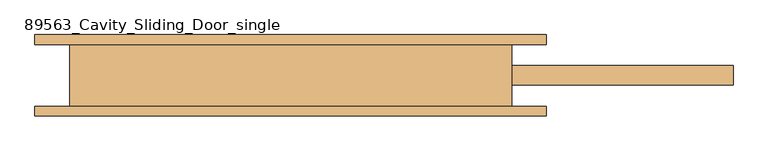
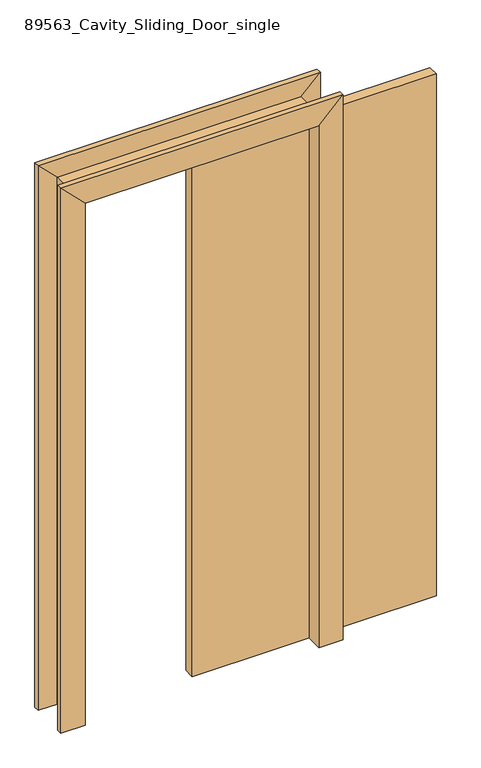
"""IFC4 building model written with IfcOpenShell, lengths in millimetres: door geometry, 89563_Cavity_Sliding_Door_single."""

from ifc_helpers import new_model, si_unit, origin, origin_with_axes, place, context, project, spatial, polyline, outline, extrude, faceted_brep, source, transform, mapped, element, save


def door_89563_cavity_sliding_door_single_7034f6d9(model_context):
    return source(origin(), model_context, "Body", "SolidModel", [
        extrude(outline(polyline([(908.0, -20.0), (0.0, -20.0), (0.0, 20.0), (908.0, 20.0), (908.0, -20.0)])), origin_with_axes(), (0.0, 0.0, 1.0), 2050.0),
        faceted_brep([(-435.0, 83.5, 0.0), (-435.0, -83.5, 0.0), (-525.0, -83.5, 0.0), (-525.0, -63.5, 0.0), (-454.0, -63.5, 0.0), (-454.0, 63.5, 0.0), (-525.0, 63.5, 0.0), (-525.0, 83.5, 0.0), (-435.0, 83.5, 2050.0), (-435.0, -83.5, 2050.0), (-525.0, -83.5, 2140.0), (-525.0, -63.5, 2140.0), (-454.0, -63.5, 2069.0), (-454.0, 63.5, 2069.0), (-525.0, 63.5, 2140.0), (-525.0, 83.5, 2140.0), (435.0, 83.5, 0.0), (525.0, 83.5, 0.0), (525.0, 63.5, 0.0), (454.0, 63.5, 0.0), (454.0, 20.0, 0.0), (435.0, 20.0, 0.0), (454.0, -63.5, 0.0), (525.0, -63.5, 0.0), (525.0, -83.5, 0.0), (435.0, -83.5, 0.0), (435.0, -20.0, 0.0), (454.0, -20.0, 0.0), (435.0, 83.5, 2050.0), (525.0, 83.5, 2140.0), (525.0, 63.5, 2140.0), (454.0, 63.5, 2069.0), (454.0, -63.5, 2069.0), (454.0, -20.0, 2050.0), (454.0, 20.0, 2050.0), (435.0, 20.0, 2050.0), (435.0, -83.5, 2050.0), (435.0, -20.0, 2050.0), (525.0, -63.5, 2140.0), (525.0, -83.5, 2140.0)], [[[0, 1, 2, 3, 4, 5, 6, 7]], [[1, 0, 8, 9]], [[2, 1, 9, 10]], [[3, 2, 10, 11]], [[4, 3, 11, 12]], [[5, 4, 12, 13]], [[6, 5, 13, 14]], [[7, 6, 14, 15]], [[0, 7, 15, 8]], [[16, 17, 18, 19, 20, 21]], [[22, 23, 24, 25, 26, 27]], [[28, 29, 17, 16]], [[29, 30, 18, 17]], [[30, 31, 19, 18]], [[31, 32, 22, 27, 33, 34, 20, 19]], [[34, 35, 21, 20]], [[28, 16, 21, 35]], [[25, 36, 37, 26]], [[32, 38, 23, 22]], [[38, 39, 24, 23]], [[39, 36, 25, 24]], [[37, 33, 27, 26]], [[9, 8, 28, 35, 34, 33, 37, 36]], [[10, 9, 36, 39]], [[11, 10, 39, 38]], [[12, 11, 38, 32]], [[13, 12, 32, 31]], [[14, 13, 31, 30]], [[15, 14, 30, 29]], [[8, 15, 29, 28]]]),
    ])


if __name__ == "__main__":
    model = new_model("IFC4")
    model_context = context("Model", 3, world=origin())
    ifc_project = project(units=[si_unit("LENGTHUNIT", "METRE", prefix="MILLI")], contexts=[model_context])
    site = spatial("IfcSite", under=ifc_project)
    building = spatial("IfcBuilding", under=site)
    placement = place(None, origin())
    door_89563_cavity_sliding_door_single_shape = door_89563_cavity_sliding_door_single_7034f6d9(model_context)
    element("IfcDoor", 1, ObjectType="89563_Cavity_Sliding_Door_single", at=placement, inside=building, context=model_context, shape_type="MappedRepresentation", body=[
        mapped(door_89563_cavity_sliding_door_single_shape, transform((0.0, 0.0, 0.0), x_axis=(1.0, 0.0, 0.0), y_axis=(0.0, 1.0, 0.0), z_axis=(0.0, 0.0, 1.0))),
    ])
    save(model, "model.ifc")
